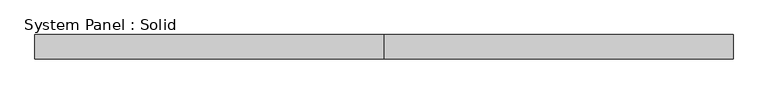
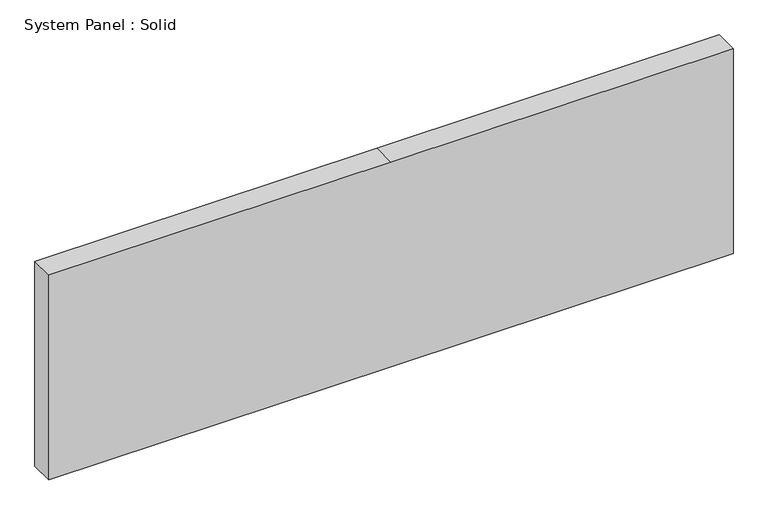
"""IFC4 building model written with IfcOpenShell, lengths in millimetres: plate geometry, System Panel : Solid."""

from ifc_helpers import new_model, si_unit, frame, origin, place, context, project, spatial, polyline, outline, extrude, source, transform, mapped, element, save


def system_panel_solid_5fc46197(model_context):
    return source(origin(), model_context, "Body", "SweptSolid", [
        extrude(outline(polyline([(0.0, -901.7), (0.0, 0.0), (0.0, 901.7), (571.5, 901.7), (571.5, 0.0), (571.5, -901.7), (0.0, -901.7)])), frame((0.0, -19.05, 0.0), z_axis=(0.0, 1.0, 0.0), x_axis=(0.0, 0.0, 1.0)), (0.0, 0.0, 1.0), 63.5),
    ])


if __name__ == "__main__":
    model = new_model("IFC4")
    model_context = context("Model", 3, world=origin())
    ifc_project = project(units=[si_unit("LENGTHUNIT", "METRE", prefix="MILLI")], contexts=[model_context])
    site = spatial("IfcSite", under=ifc_project)
    building = spatial("IfcBuilding", under=site)
    placement = place(None, origin())
    system_panel_solid_shape = system_panel_solid_5fc46197(model_context)
    element("IfcPlate", 1, ObjectType="System Panel : Solid", at=placement, inside=building, context=model_context, shape_type="MappedRepresentation", body=[
        mapped(system_panel_solid_shape, transform((0.0, 0.0, 0.0), x_axis=(1.0, 0.0, 0.0), y_axis=(0.0, 1.0, 0.0), z_axis=(0.0, 0.0, 1.0))),
    ])
    save(model, "model.ifc")
